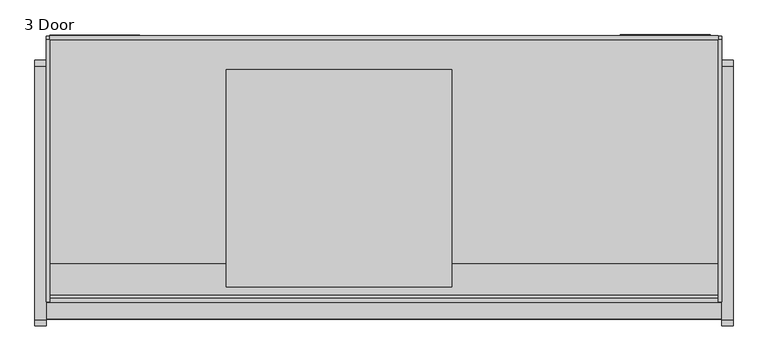
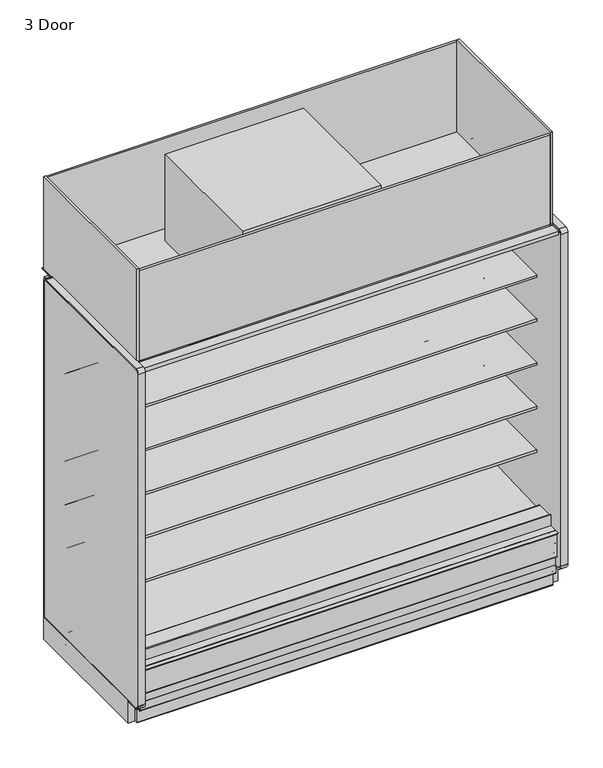
"""IFC4 building model written with IfcOpenShell, lengths in millimetres: proxy geometry, 3 Door."""

from ifc_helpers import new_model, si_unit, point, frame, frame_2d, origin, origin_with_axes, place, context, project, spatial, polyline, circle_curve, trimmed, segment, composite_curve, outline, extrude, source, transform, mapped, element, save


def proxy_3_door_cfcc20d5(model_context):
    return source(origin(), model_context, "Body", "SweptSolid", [
        extrude(outline(polyline([(0.0, -38.6530691), (0.0, 0.0), (1676.4, 0.0), (1676.4, -38.6530691), (0.0, -38.6530691)])), frame((2286.0, -1078.2703087, 1997.4969004), z_axis=(0.0, 0.24192189559968305, 0.9702957262759927), x_axis=(-1.0, 0.0, 0.0)), (0.0, 0.0, 1.0), 7.3408347),
        extrude(outline(polyline([(-1183.4834873, 177.8), (-1183.4834873, 195.2905293), (-1181.4991123, 191.853491), (-1181.4991123, 175.815625), (-1189.8334873, 175.815625), (-1189.8334873, 133.35), (-1191.8146873, 133.35), (-1191.8146873, 177.8), (-1183.4834873, 177.8)])), frame((0.0, 0.0, 0.0), z_axis=(1.0, 0.0, 0.0), x_axis=(0.0, 1.0, 0.0)), (0.0, 0.0, 1.0), 2286.0),
        extrude(outline(composite_curve([segment(polyline([(-1199.1652772, 323.6525395), (-1199.1652772, 322.7889395), (-1205.4517772, 322.7889395)]), True, "CONTINUOUS"), segment(trimmed(circle_curve(frame_2d((-1205.4517772, 322.0015395)), 0.7874), [point((-1205.4517772, 322.7889395))], [point((-1206.2391772, 322.0015395))], True, "CARTESIAN"), True, "CONTINUOUS"), segment(polyline([(-1206.2391772, 322.0015395), (-1206.2391772, 320.4775395), (-1206.2391772, 189.9871554)]), True, "CONTINUOUS"), segment(trimmed(circle_curve(frame_2d((-1205.4517772, 189.9871554)), 0.7874), [point((-1206.2391772, 189.9871554))], [point((-1205.0580772, 189.305247))], True, "CARTESIAN"), True, "CONTINUOUS"), segment(polyline([(-1205.0580772, 189.305247), (-1186.9673399, 199.7499391)]), True, "CONTINUOUS"), segment(trimmed(circle_curve(frame_2d((-1186.1418399, 198.3201311)), 1.651), [point((-1186.9673399, 199.7499391))], [point((-1184.712032, 199.1456311))], False, "CARTESIAN"), True, "CONTINUOUS"), segment(polyline([(-1184.712032, 199.1456311), (-1179.187532, 189.5769164), (-1179.9354315, 189.1451164), (-1185.4599315, 198.7138311)]), True, "CONTINUOUS"), segment(trimmed(circle_curve(frame_2d((-1186.1418399, 198.3201311)), 0.7874), [point((-1185.4599315, 198.7138311))], [point((-1186.5355399, 199.0020395))], True, "CARTESIAN"), True, "CONTINUOUS"), segment(polyline([(-1186.5355399, 199.0020395), (-1204.6262772, 188.5573475)]), True, "CONTINUOUS"), segment(trimmed(circle_curve(frame_2d((-1205.4517772, 189.9871554)), 1.651), [point((-1204.6262772, 188.5573475))], [point((-1207.1027772, 189.9871554))], False, "CARTESIAN"), True, "CONTINUOUS"), segment(polyline([(-1207.1027772, 189.9871554), (-1207.1027772, 191.5746554), (-1207.1027772, 320.4775395), (-1207.1027772, 322.0015395)]), True, "CONTINUOUS"), segment(trimmed(circle_curve(frame_2d((-1205.4517772, 322.0015395)), 1.651), [point((-1207.1027772, 322.0015395))], [point((-1205.4517772, 323.6525395))], False, "CARTESIAN"), True, "CONTINUOUS"), segment(polyline([(-1205.4517772, 323.6525395), (-1199.1652772, 323.6525395)]), True, "CONTINUOUS")], self_intersect=False)), frame((0.0, 0.0, 0.0), z_axis=(1.0, 0.0, 0.0), x_axis=(0.0, 1.0, 0.0)), (0.0, 0.0, 1.0), 2286.0),
        extrude(outline(polyline([(1371.6, -374.4071273), (1371.6, -1111.0071273), (609.6, -1111.0071273), (609.6, -374.4071273), (1371.6, -374.4071273)])), frame((0.0, 0.0, 2107.5790188), z_axis=(0.0, 0.0, 1.0), x_axis=(1.0, 0.0, 0.0)), (0.0, 0.0, 1.0), 502.2709812),
        extrude(outline(polyline([(2286.0, -260.1071273), (2286.0, -1161.8071273), (0.0, -1161.8071273), (0.0, -260.1071273), (2286.0, -260.1071273)])), frame((0.0, 0.0, 2089.15), z_axis=(0.0, 0.0, 1.0), x_axis=(1.0, 0.0, 0.0)), (0.0, 0.0, 1.0), 6.35),
        extrude(outline(composite_curve([segment(polyline([(-1219.271907, 334.0862), (-1192.8205273, 334.0862)]), True, "CONTINUOUS"), segment(trimmed(circle_curve(frame_2d((-1192.8205273, 332.1304)), 1.9558), [point((-1192.8205273, 334.0862))], [point((-1190.8647273, 332.1304))], False, "CARTESIAN"), True, "CONTINUOUS"), segment(polyline([(-1190.8647273, 332.1304), (-1190.8647273, 321.3862), (-1190.8647273, 300.7449388), (-1192.1324192, 300.7449388), (-1192.1324192, 321.3862), (-1192.1324192, 332.1304)]), True, "CONTINUOUS"), segment(trimmed(circle_curve(frame_2d((-1192.9198192, 332.1304)), 0.7874), [point((-1192.1324192, 332.1304))], [point((-1192.9198192, 332.9178))], True, "CARTESIAN"), True, "CONTINUOUS"), segment(polyline([(-1192.9198192, 332.9178), (-1219.271907, 332.9178), (-1219.271907, 334.0862)]), True, "CONTINUOUS")], self_intersect=False)), frame((0.0, 0.0, 0.0), z_axis=(1.0, 0.0, 0.0), x_axis=(0.0, 1.0, 0.0)), (0.0, 0.0, 1.0), 2286.0),
        extrude(outline(composite_curve([segment(polyline([(-1169.6042697, 82.5444735), (-368.9975849, 82.5444735)]), True, "CONTINUOUS"), segment(trimmed(circle_curve(frame_2d((-372.4259273, 84.5312)), 3.9624), [point((-368.9975849, 82.5444735))], [point((-372.4259273, 80.5688))], False, "CARTESIAN"), True, "CONTINUOUS"), segment(polyline([(-372.4259273, 80.5688), (-1166.1759273, 80.5688)]), True, "CONTINUOUS"), segment(trimmed(circle_curve(frame_2d((-1166.1759273, 84.5312)), 3.9624), [point((-1166.1759273, 80.5688))], [point((-1169.6042697, 82.5444735))], False, "CARTESIAN"), True, "CONTINUOUS")], self_intersect=False)), frame((0.0, 0.0, 0.0), z_axis=(1.0, 0.0, 0.0), x_axis=(0.0, 1.0, 0.0)), (0.0, 0.0, 1.0), 2286.0),
        extrude(outline(composite_curve([segment(polyline([(-1001.3146873, 129.3876), (-1024.7334873, 129.3876)]), True, "CONTINUOUS"), segment(trimmed(circle_curve(frame_2d((-1024.7334873, 127.4064)), 1.9812), [point((-1024.7334873, 129.3876))], [point((-1026.7146873, 127.4064))], True, "CARTESIAN"), True, "CONTINUOUS"), segment(polyline([(-1026.7146873, 127.4064), (-1026.7146873, 86.5124)]), True, "CONTINUOUS"), segment(trimmed(circle_curve(frame_2d((-1030.6770873, 86.5124)), 3.9624), [point((-1026.7146873, 86.5124))], [point((-1030.6770873, 82.55))], False, "CARTESIAN"), True, "CONTINUOUS"), segment(polyline([(-1030.6770873, 82.55), (-1187.8522873, 82.55)]), True, "CONTINUOUS"), segment(trimmed(circle_curve(frame_2d((-1187.8522873, 86.5124)), 3.9624), [point((-1187.8522873, 82.55))], [point((-1191.8146873, 86.5124))], False, "CARTESIAN"), True, "CONTINUOUS"), segment(polyline([(-1191.8146873, 86.5124), (-1191.8146873, 133.35), (-1040.3697273, 133.35), (-1040.3697273, 131.3688), (-1189.8334873, 131.3688), (-1189.8334873, 86.5124)]), True, "CONTINUOUS"), segment(trimmed(circle_curve(frame_2d((-1187.8522873, 86.5124)), 1.9812), [point((-1189.8334873, 86.5124))], [point((-1187.8522873, 84.5312))], True, "CARTESIAN"), True, "CONTINUOUS"), segment(polyline([(-1187.8522873, 84.5312), (-1030.6770873, 84.5312)]), True, "CONTINUOUS"), segment(trimmed(circle_curve(frame_2d((-1030.6770873, 86.5124)), 1.9812), [point((-1030.6770873, 84.5312))], [point((-1028.6958873, 86.5124))], True, "CARTESIAN"), True, "CONTINUOUS"), segment(polyline([(-1028.6958873, 86.5124), (-1028.6958873, 129.3876)]), True, "CONTINUOUS"), segment(trimmed(circle_curve(frame_2d((-1024.7334873, 129.3876)), 3.9624), [point((-1028.6958873, 129.3876))], [point((-1024.7334873, 133.35))], False, "CARTESIAN"), True, "CONTINUOUS"), segment(polyline([(-1024.7334873, 133.35), (-1001.3146873, 133.35), (-1001.3146873, 129.3876)]), True, "CONTINUOUS")], self_intersect=False)), frame((0.0, 0.0, 0.0), z_axis=(1.0, 0.0, 0.0), x_axis=(0.0, 1.0, 0.0)), (0.0, 0.0, 1.0), 2286.0),
        extrude(outline(composite_curve([segment(trimmed(circle_curve(frame_2d((-514.1071273, 127.4064)), 1.9812), [point((-512.1259273, 127.4064))], [point((-514.1071273, 129.3876))], True, "CARTESIAN"), True, "CONTINUOUS"), segment(polyline([(-514.1071273, 129.3876), (-537.5259273, 129.3876), (-537.5259273, 133.1722), (-514.1071273, 133.1722)]), True, "CONTINUOUS"), segment(trimmed(circle_curve(frame_2d((-514.1071273, 129.2098)), 3.9624), [point((-514.1071273, 133.1722))], [point((-510.1447273, 129.2098))], False, "CARTESIAN"), True, "CONTINUOUS"), segment(polyline([(-510.1447273, 129.2098), (-510.1447273, 86.5124)]), True, "CONTINUOUS"), segment(trimmed(circle_curve(frame_2d((-508.1635273, 86.5124)), 1.9812), [point((-510.1447273, 86.5124))], [point((-508.1635273, 84.5312))], True, "CARTESIAN"), True, "CONTINUOUS"), segment(polyline([(-508.1635273, 84.5312), (-350.9883273, 84.5312)]), True, "CONTINUOUS"), segment(trimmed(circle_curve(frame_2d((-350.9883273, 86.5124)), 1.9812), [point((-350.9883273, 84.5312))], [point((-349.0071273, 86.5124))], True, "CARTESIAN"), True, "CONTINUOUS"), segment(polyline([(-349.0071273, 86.5124), (-349.0071273, 133.35), (-347.0259273, 133.35), (-347.0259273, 86.5124)]), True, "CONTINUOUS"), segment(trimmed(circle_curve(frame_2d((-350.9883273, 86.5124)), 3.9624), [point((-347.0259273, 86.5124))], [point((-350.9883273, 82.55))], False, "CARTESIAN"), True, "CONTINUOUS"), segment(polyline([(-350.9883273, 82.55), (-508.1635273, 82.55)]), True, "CONTINUOUS"), segment(trimmed(circle_curve(frame_2d((-508.1635273, 86.5124)), 3.9624), [point((-508.1635273, 82.55))], [point((-512.1259273, 86.5124))], False, "CARTESIAN"), True, "CONTINUOUS"), segment(polyline([(-512.1259273, 86.5124), (-512.1259273, 127.4064)]), True, "CONTINUOUS")], self_intersect=False)), frame((0.0, 0.0, 0.0), z_axis=(1.0, 0.0, 0.0), x_axis=(0.0, 1.0, 0.0)), (0.0, 0.0, 1.0), 2286.0),
        extrude(outline(polyline([(2286.0, -372.4259273), (2286.0, -1166.1759273), (0.0, -1166.1759273), (0.0, -372.4259273), (2286.0, -372.4259273)])), frame((0.0, 0.0, 78.5876), z_axis=(0.0, 0.0, 1.0), x_axis=(1.0, 0.0, 0.0)), (0.0, 0.0, 1.0), 1.9812),
        extrude(outline(composite_curve([segment(polyline([(-372.4259273, 3.9624), (-372.4259273, 1.9812), (-372.4259273, 0.0), (-474.0259273, 0.0), (-474.0259273, 1.9812), (-474.0259273, 3.9624), (-474.0259273, 19.05)]), True, "CONTINUOUS"), segment(trimmed(circle_curve(frame_2d((-499.4259273, 19.05)), 25.4), [point((-474.0259273, 19.05))], [point((-499.4259273, 44.45))], True, "CARTESIAN"), True, "CONTINUOUS"), segment(polyline([(-499.4259273, 44.45), (-1039.1759273, 44.45)]), True, "CONTINUOUS"), segment(trimmed(circle_curve(frame_2d((-1039.1759273, 19.05)), 25.4), [point((-1039.1759273, 44.45))], [point((-1064.5759273, 19.05))], True, "CARTESIAN"), True, "CONTINUOUS"), segment(polyline([(-1064.5759273, 19.05), (-1064.5759273, 3.9624), (-1064.5759273, 1.9812), (-1064.5759273, 0.0), (-1166.1759273, 0.0), (-1166.1759273, 1.9812), (-1166.1759273, 3.9624), (-1166.1759273, 78.5876), (-372.4259273, 78.5876), (-372.4259273, 3.9624)]), True, "CONTINUOUS")], self_intersect=False), holes=[composite_curve([segment(trimmed(circle_curve(frame_2d((-1089.9759273, 69.85)), 4.2164), [point((-1092.0841273, 73.5015095))], [point((-1087.8677273, 66.1984905))], True, "CARTESIAN"), True, "CONTINUOUS"), segment(trimmed(circle_curve(frame_2d((-1089.9759273, 69.85)), 4.2164), [point((-1087.8677273, 66.1984905))], [point((-1092.0841273, 73.5015095))], True, "CARTESIAN"), True, "CONTINUOUS")], self_intersect=False), composite_curve([segment(trimmed(circle_curve(frame_2d((-1089.9759273, 12.7)), 4.2164), [point((-1092.0841273, 16.3515095))], [point((-1087.8677273, 9.0484905))], True, "CARTESIAN"), True, "CONTINUOUS"), segment(trimmed(circle_curve(frame_2d((-1089.9759273, 12.7)), 4.2164), [point((-1087.8677273, 9.0484905))], [point((-1092.0841273, 16.3515095))], True, "CARTESIAN"), True, "CONTINUOUS")], self_intersect=False), composite_curve([segment(trimmed(circle_curve(frame_2d((-448.6259273, 69.85)), 4.2164), [point((-450.7341273, 73.5015095))], [point((-446.5177273, 66.1984905))], True, "CARTESIAN"), True, "CONTINUOUS"), segment(trimmed(circle_curve(frame_2d((-448.6259273, 69.85)), 4.2164), [point((-446.5177273, 66.1984905))], [point((-450.7341273, 73.5015095))], True, "CARTESIAN"), True, "CONTINUOUS")], self_intersect=False), composite_curve([segment(trimmed(circle_curve(frame_2d((-448.6259273, 12.7)), 4.2164), [point((-450.7341273, 16.3515095))], [point((-446.5177273, 9.0484905))], True, "CARTESIAN"), True, "CONTINUOUS"), segment(trimmed(circle_curve(frame_2d((-448.6259273, 12.7)), 4.2164), [point((-446.5177273, 9.0484905))], [point((-450.7341273, 16.3515095))], True, "CARTESIAN"), True, "CONTINUOUS")], self_intersect=False)]), frame((0.0, 0.0, 0.0), z_axis=(1.0, 0.0, 0.0), x_axis=(0.0, 1.0, 0.0)), (0.0, 0.0, 1.0), 2286.0),
        extrude(outline(composite_curve([segment(trimmed(circle_curve(frame_2d((2163.8082444, -305.1108756)), 12.7), [point((2151.1082444, -305.1108756))], [point((2176.5082444, -305.1108756))], False, "CARTESIAN"), True, "CONTINUOUS"), segment(trimmed(circle_curve(frame_2d((2163.8082444, -305.1108756)), 12.7), [point((2176.5082444, -305.1108756))], [point((2151.1082444, -305.1108756))], False, "CARTESIAN"), True, "CONTINUOUS")], self_intersect=False)), frame((0.0, 0.0, 1138.0399939), z_axis=(0.0, 0.0, 1.0), x_axis=(1.0, 0.0, 0.0)), (0.0, 0.0, 1.0), 554.8039204),
        extrude(outline(composite_curve([segment(trimmed(circle_curve(frame_2d((2034.38125, -305.1108756)), 9.525), [point((2024.85625, -305.1108756))], [point((2043.90625, -305.1108756))], False, "CARTESIAN"), True, "CONTINUOUS"), segment(trimmed(circle_curve(frame_2d((2034.38125, -305.1108756)), 9.525), [point((2043.90625, -305.1108756))], [point((2024.85625, -305.1108756))], False, "CARTESIAN"), True, "CONTINUOUS")], self_intersect=False)), frame((0.0, 0.0, 1138.0399939), z_axis=(0.0, 0.0, 1.0), x_axis=(1.0, 0.0, 0.0)), (0.0, 0.0, 1.0), 554.8039204),
        extrude(outline(polyline([(2247.10625, -256.4521239), (2247.10625, -349.0071273), (2243.93125, -349.0071273), (2243.93125, -259.6271239), (1945.48125, -259.6271239), (1945.48125, -349.0071273), (1942.30625, -349.0071273), (1942.30625, -256.4521239), (2247.10625, -256.4521239)])), frame((0.0, 0.0, 193.7512), z_axis=(0.0, 0.0, 1.0), x_axis=(1.0, 0.0, 0.0)), (0.0, 0.0, 1.0), 1438.7950439),
        extrude(outline(polyline([(105.5601284, -782.8225818), (397.6601284, -782.8225818), (397.6601284, -1034.2202905), (105.5601284, -1034.2202905), (105.5601284, -782.8225818)])), frame((0.0, 0.0, 95.25), z_axis=(0.0, 0.0, 1.0), x_axis=(1.0, 0.0, 0.0)), (0.0, 0.0, 1.0), 6.35),
        extrude(outline(composite_curve([segment(trimmed(circle_curve(frame_2d((1143.0, -1015.7571273)), 38.1), [point((1104.9, -1015.7571273))], [point((1181.1, -1015.7571273))], False, "CARTESIAN"), True, "CONTINUOUS"), segment(trimmed(circle_curve(frame_2d((1143.0, -1015.7571273)), 38.1), [point((1181.1, -1015.7571273))], [point((1104.9, -1015.7571273))], False, "CARTESIAN"), True, "CONTINUOUS")], self_intersect=False)), origin_with_axes(), (0.0, 0.0, 1.0), 101.6),
        extrude(outline(polyline([(316.70625, -258.0396239), (316.70625, -349.0071273), (11.90625, -349.0071273), (11.90625, -258.0396239), (316.70625, -258.0396239)])), frame((0.0, 0.0, 1782.450878), z_axis=(0.0, 0.0, 1.0), x_axis=(1.0, 0.0, 0.0)), (0.0, 0.0, 1.0), 254.5161408),
        extrude(outline(composite_curve([segment(polyline([(-453.852044, 591.1422184), (-464.9599362, 590.9259013)]), True, "CONTINUOUS"), segment(trimmed(circle_curve(frame_2d((-465.4478819, 615.9819291)), 25.0607786), [point((-464.9599362, 590.9259013))], [point((-481.3552045, 596.6170199))], False, "CARTESIAN"), True, "CONTINUOUS"), segment(polyline([(-481.3552045, 596.6170199), (-519.5769051, 627.7002885)]), True, "CONTINUOUS"), segment(trimmed(circle_curve(frame_2d((-559.6413782, 578.4348036)), 63.5), [point((-519.5769051, 627.7002885))], [point((-552.7883688, 641.5639274))], True, "CARTESIAN"), True, "CONTINUOUS"), segment(polyline([(-552.7883688, 641.5639274), (-892.1960421, 674.1744175), (-892.1960421, 678.4587439), (-1012.6220004, 678.4587439), (-1012.6220004, 691.9524939), (-453.852044, 691.9524939), (-453.852044, 591.1422184)]), True, "CONTINUOUS")], self_intersect=False)), frame((0.0, 0.0, 0.0), z_axis=(1.0, 0.0, 0.0), x_axis=(0.0, 1.0, 0.0)), (0.0, 0.0, 1.0), 2286.0),
        extrude(outline(composite_curve([segment(polyline([(-453.852044, 845.1422184), (-464.9599362, 844.9259013)]), True, "CONTINUOUS"), segment(trimmed(circle_curve(frame_2d((-465.4478819, 869.9819291)), 25.0607786), [point((-464.9599362, 844.9259013))], [point((-481.3552045, 850.6170199))], False, "CARTESIAN"), True, "CONTINUOUS"), segment(polyline([(-481.3552045, 850.6170199), (-519.5769051, 881.7002885)]), True, "CONTINUOUS"), segment(trimmed(circle_curve(frame_2d((-559.6413782, 832.4348036)), 63.5), [point((-519.5769051, 881.7002885))], [point((-552.7883688, 895.5639274))], True, "CARTESIAN"), True, "CONTINUOUS"), segment(polyline([(-552.7883688, 895.5639274), (-892.1960421, 928.1744175), (-892.1960421, 932.4587439), (-1012.6220004, 932.4587439), (-1012.6220004, 945.9524939), (-453.852044, 945.9524939), (-453.852044, 845.1422184)]), True, "CONTINUOUS")], self_intersect=False)), frame((0.0, 0.0, 0.0), z_axis=(1.0, 0.0, 0.0), x_axis=(0.0, 1.0, 0.0)), (0.0, 0.0, 1.0), 2286.0),
        extrude(outline(composite_curve([segment(polyline([(-453.852044, 1099.1422184), (-464.9599362, 1098.9259013)]), True, "CONTINUOUS"), segment(trimmed(circle_curve(frame_2d((-465.4478819, 1123.9819291)), 25.0607786), [point((-464.9599362, 1098.9259013))], [point((-481.3552045, 1104.6170199))], False, "CARTESIAN"), True, "CONTINUOUS"), segment(polyline([(-481.3552045, 1104.6170199), (-519.5769051, 1135.7002885)]), True, "CONTINUOUS"), segment(trimmed(circle_curve(frame_2d((-559.6413782, 1086.4348036)), 63.5), [point((-519.5769051, 1135.7002885))], [point((-552.7883688, 1149.5639274))], True, "CARTESIAN"), True, "CONTINUOUS"), segment(polyline([(-552.7883688, 1149.5639274), (-892.1960421, 1182.1744175), (-892.1960421, 1186.4587439), (-1012.6220004, 1186.4587439), (-1012.6220004, 1199.9524939), (-453.852044, 1199.9524939), (-453.852044, 1099.1422184)]), True, "CONTINUOUS")], self_intersect=False)), frame((0.0, 0.0, 0.0), z_axis=(1.0, 0.0, 0.0), x_axis=(0.0, 1.0, 0.0)), (0.0, 0.0, 1.0), 2286.0),
        extrude(outline(composite_curve([segment(polyline([(-453.852044, 1353.1422184), (-464.9599362, 1352.9259013)]), True, "CONTINUOUS"), segment(trimmed(circle_curve(frame_2d((-465.4478819, 1377.9819291)), 25.0607786), [point((-464.9599362, 1352.9259013))], [point((-481.3552045, 1358.6170199))], False, "CARTESIAN"), True, "CONTINUOUS"), segment(polyline([(-481.3552045, 1358.6170199), (-519.5769051, 1389.7002885)]), True, "CONTINUOUS"), segment(trimmed(circle_curve(frame_2d((-559.6413782, 1340.4348036)), 63.5), [point((-519.5769051, 1389.7002885))], [point((-552.7883688, 1403.5639274))], True, "CARTESIAN"), True, "CONTINUOUS"), segment(polyline([(-552.7883688, 1403.5639274), (-892.1960421, 1436.1744175), (-892.1960421, 1440.4587439), (-1012.6220004, 1440.4587439), (-1012.6220004, 1453.9524939), (-453.852044, 1453.9524939), (-453.852044, 1353.1422184)]), True, "CONTINUOUS")], self_intersect=False)), frame((0.0, 0.0, 0.0), z_axis=(1.0, 0.0, 0.0), x_axis=(0.0, 1.0, 0.0)), (0.0, 0.0, 1.0), 2286.0),
        extrude(outline(polyline([(2286.0, -272.8071273), (2286.0, -1161.8071273), (2273.3, -1161.8071273), (2273.3, -272.8071273), (2286.0, -272.8071273)])), frame((0.0, 0.0, 2089.15), z_axis=(0.0, 0.0, 1.0), x_axis=(1.0, 0.0, 0.0)), (0.0, 0.0, 1.0), 542.5072188),
        extrude(outline(polyline([(12.7, -272.8071273), (12.7, -1161.8071273), (0.0, -1161.8071273), (0.0, -272.8071273), (12.7, -272.8071273)])), frame((0.0, 0.0, 2089.15), z_axis=(0.0, 0.0, 1.0), x_axis=(1.0, 0.0, 0.0)), (0.0, 0.0, 1.0), 542.5072188),
        extrude(outline(polyline([(2273.3, -260.1071273), (2273.3, -272.8071273), (12.7, -272.8071273), (12.7, -260.1071273), (2273.3, -260.1071273)])), frame((0.0, 0.0, 2095.5), z_axis=(0.0, 0.0, 1.0), x_axis=(1.0, 0.0, 0.0)), (0.0, 0.0, 1.0), 524.1938188),
        extrude(outline(composite_curve([segment(polyline([(-1032.1083773, 2088.5290188), (-1161.8071273, 2088.5290188), (-1161.8071273, 2619.6938188), (-1149.113193, 2619.6938188), (-1149.113193, 2126.5147188)]), True, "CONTINUOUS"), segment(trimmed(circle_curve(frame_2d((-1136.413193, 2126.5147188)), 12.7), [point((-1149.113193, 2126.5147188))], [point((-1136.413193, 2113.8147188))], True, "CARTESIAN"), True, "CONTINUOUS"), segment(polyline([(-1136.413193, 2113.8147188), (-1032.1083773, 2113.8147188), (-1032.1083773, 2088.5290188)]), True, "CONTINUOUS")], self_intersect=False)), frame((12.7, 0.0, 0.0), z_axis=(1.0, 0.0, 0.0), x_axis=(0.0, 1.0, 0.0)), (0.0, 0.0, 1.0), 2260.6),
        extrude(outline(polyline([(-1218.7163962, 2067.3454108), (-1218.7163962, 2088.5290188), (-1134.8551873, 2088.5290188), (-1134.8551873, 2037.6083622), (-1147.784197, 2037.6083622), (-1147.784197, 2067.3454108), (-1218.7163962, 2067.3454108)])), frame((0.0, 0.0, 0.0), z_axis=(1.0, 0.0, 0.0), x_axis=(0.0, 1.0, 0.0)), (0.0, 0.0, 1.0), 2286.0),
        extrude(outline(polyline([(-1147.784197, 334.0862), (-1147.784197, 396.6795495), (-1139.5526974, 396.6795495), (-1139.5526974, 302.7473029), (-1137.9651974, 302.7473029), (-1137.9651974, 300.7449388), (-1190.8639311, 300.7449388), (-1190.8657083, 334.0862), (-1147.784197, 334.0862)])), frame((0.0, 0.0, 0.0), z_axis=(1.0, 0.0, 0.0), x_axis=(0.0, 1.0, 0.0)), (0.0, 0.0, 1.0), 2286.0),
        extrude(outline(composite_curve([segment(polyline([(-453.852044, 1607.1422184), (-464.9599362, 1606.9259013)]), True, "CONTINUOUS"), segment(trimmed(circle_curve(frame_2d((-465.4478819, 1631.9819291)), 25.0607786), [point((-464.9599362, 1606.9259013))], [point((-481.3552045, 1612.6170199))], False, "CARTESIAN"), True, "CONTINUOUS"), segment(polyline([(-481.3552045, 1612.6170199), (-519.5769051, 1643.7002885)]), True, "CONTINUOUS"), segment(trimmed(circle_curve(frame_2d((-559.6413782, 1594.4348036)), 63.5), [point((-519.5769051, 1643.7002885))], [point((-552.7883688, 1657.5639274))], True, "CARTESIAN"), True, "CONTINUOUS"), segment(polyline([(-552.7883688, 1657.5639274), (-892.1960421, 1690.1744175), (-892.1960421, 1694.4587439), (-1012.652044, 1694.4587439), (-1012.652044, 1707.9524939), (-453.852044, 1707.9524939), (-453.852044, 1607.1422184)]), True, "CONTINUOUS")], self_intersect=False)), frame((0.0, 0.0, 0.0), z_axis=(1.0, 0.0, 0.0), x_axis=(0.0, 1.0, 0.0)), (0.0, 0.0, 1.0), 2286.0),
        extrude(outline(polyline([(-349.0071273, 133.35), (-1042.7095547, 133.35), (-1192.1324192, 258.7306705), (-1192.1324192, 300.7449388), (-1137.9651974, 300.7449388), (-1137.9651974, 283.9418925), (-1025.3654807, 189.4595117), (-1009.819944, 190.0023738), (-964.4677493, 157.1934642), (-899.9654388, 159.4459345), (-859.8822128, 192.9404113), (-402.3474764, 220.4377575), (-402.3474764, 2037.6083622), (-1134.8551873, 2037.6083622), (-1134.8551873, 2089.15), (-349.0071273, 2089.15), (-349.0071273, 133.35)])), frame((0.0, 0.0, 0.0), z_axis=(1.0, 0.0, 0.0), x_axis=(0.0, 1.0, 0.0)), (0.0, 0.0, 1.0), 2286.0),
        extrude(outline(polyline([(-569.7966273, 2009.5795495), (-1018.9788197, 2009.5795495), (-1038.3156637, 1986.1261212), (-1044.227619, 1987.6001372), (-1043.8968839, 1988.926643), (-1040.765401, 1988.1458766), (-1023.0938016, 2009.5795495), (-1078.2703087, 2009.5795495), (-1078.2703087, 1997.4969004), (-1075.2026184, 1996.7320393), (-1075.5333534, 1995.4055335), (-1081.4453087, 1996.8795495), (-1081.4453087, 2009.5795495), (-1091.0188306, 2009.5795495), (-1091.0188306, 2025.8814352), (-1103.7188306, 2025.8814352), (-1103.7188306, 2036.9670188), (-402.3474764, 2036.9670188), (-402.3474764, 300.7449388), (-453.852044, 300.7449388), (-453.852044, 2009.5795495), (-569.7966273, 2009.5795495)])), frame((0.0, 0.0, 0.0), z_axis=(1.0, 0.0, 0.0), x_axis=(0.0, 1.0, 0.0)), (0.0, 0.0, 1.0), 2286.0),
        extrude(outline(composite_curve([segment(polyline([(-549.102044, 376.9132463), (-549.102044, 389.995836), (-476.8468712, 389.995836), (-476.8468712, 399.2749991), (-453.852044, 399.2749991), (-453.852044, 380.470836), (-453.852044, 300.7449388), (-402.3474764, 300.7449388), (-402.3474764, 220.4377575), (-859.8822128, 192.9404113), (-899.9654388, 159.4459345), (-964.4677493, 157.1934642), (-1009.819944, 190.0023738), (-1025.3654807, 189.4595117), (-1137.9651974, 283.9418925), (-1137.9651974, 312.2723029), (-1139.5526974, 312.2723029), (-1139.5526974, 388.7420495), (-1040.1411273, 388.7420495)]), True, "CONTINUOUS"), segment(trimmed(circle_curve(frame_2d((-1040.1411273, 386.6846495)), 2.0574), [point((-1040.1411273, 388.7420495))], [point((-1038.0837273, 386.6846495))], False, "CARTESIAN"), True, "CONTINUOUS"), segment(polyline([(-1038.0837273, 386.6846495), (-1038.0837273, 358.6497695), (-549.102044, 376.9132463)]), True, "CONTINUOUS")], self_intersect=False)), frame((0.0, 0.0, 0.0), z_axis=(1.0, 0.0, 0.0), x_axis=(0.0, 1.0, 0.0)), (0.0, 0.0, 1.0), 2286.0),
        extrude(outline(composite_curve([segment(polyline([(-349.0071273, 133.35), (-1209.4321273, 133.35)]), True, "CONTINUOUS"), segment(trimmed(circle_curve(frame_2d((-1209.4321273, 158.75)), 25.4), [point((-1209.4321273, 133.35))], [point((-1234.8321273, 158.75))], False, "CARTESIAN"), True, "CONTINUOUS"), segment(polyline([(-1234.8321273, 158.75), (-1234.8321273, 2082.8)]), True, "CONTINUOUS"), segment(trimmed(circle_curve(frame_2d((-1222.1321273, 2082.8)), 12.7), [point((-1234.8321273, 2082.8))], [point((-1222.1321273, 2095.5))], False, "CARTESIAN"), True, "CONTINUOUS"), segment(polyline([(-1222.1321273, 2095.5), (-361.7071273, 2095.5)]), True, "CONTINUOUS"), segment(trimmed(circle_curve(frame_2d((-361.7071273, 2082.8)), 12.7), [point((-361.7071273, 2095.5))], [point((-349.0071273, 2082.8))], False, "CARTESIAN"), True, "CONTINUOUS"), segment(polyline([(-349.0071273, 2082.8), (-349.0071273, 133.35)]), True, "CONTINUOUS")], self_intersect=False)), frame((2286.0, 0.0, 0.0), z_axis=(1.0, 0.0, 0.0), x_axis=(0.0, 1.0, 0.0)), (0.0, 0.0, 1.0), 38.1),
        extrude(outline(composite_curve([segment(polyline([(-349.0071273, 133.35), (-349.0071273, 2082.8)]), True, "CONTINUOUS"), segment(trimmed(circle_curve(frame_2d((-361.7071273, 2082.8)), 12.7), [point((-349.0071273, 2082.8))], [point((-361.7071273, 2095.5))], True, "CARTESIAN"), True, "CONTINUOUS"), segment(polyline([(-361.7071273, 2095.5), (-1222.1321273, 2095.5)]), True, "CONTINUOUS"), segment(trimmed(circle_curve(frame_2d((-1222.1321273, 2082.8)), 12.7), [point((-1222.1321273, 2095.5))], [point((-1234.8321273, 2082.8))], True, "CARTESIAN"), True, "CONTINUOUS"), segment(polyline([(-1234.8321273, 2082.8), (-1234.8321273, 158.75)]), True, "CONTINUOUS"), segment(trimmed(circle_curve(frame_2d((-1209.4321273, 158.75)), 25.4), [point((-1234.8321273, 158.75))], [point((-1209.4321273, 133.35))], True, "CARTESIAN"), True, "CONTINUOUS"), segment(polyline([(-1209.4321273, 133.35), (-1145.9321273, 133.35), (-1145.9321273, 122.8907563), (-1209.4321273, 122.8907563)]), True, "CONTINUOUS"), segment(trimmed(circle_curve(frame_2d((-1209.4321273, 155.9306)), 33.0398438), [point((-1209.4321273, 122.8907563))], [point((-1242.471971, 155.9306))], False, "CARTESIAN"), True, "CONTINUOUS"), segment(polyline([(-1242.471971, 155.9306), (-1242.471971, 2082.8)]), True, "CONTINUOUS"), segment(trimmed(circle_curve(frame_2d((-1222.1321273, 2082.8)), 20.3398437), [point((-1242.471971, 2082.8))], [point((-1222.1321273, 2103.1398438))], False, "CARTESIAN"), True, "CONTINUOUS"), segment(polyline([(-1222.1321273, 2103.1398438), (-361.7071273, 2103.1398438)]), True, "CONTINUOUS"), segment(trimmed(circle_curve(frame_2d((-361.7071273, 2082.8)), 20.3398437), [point((-361.7071273, 2103.1398438))], [point((-341.3672835, 2082.8))], False, "CARTESIAN"), True, "CONTINUOUS"), segment(polyline([(-341.3672835, 2082.8), (-341.3672835, 133.35), (-349.0071273, 133.35)]), True, "CONTINUOUS")], self_intersect=False)), frame((2286.0, 0.0, 0.0), z_axis=(1.0, 0.0, 0.0), x_axis=(0.0, 1.0, 0.0)), (0.0, 0.0, 1.0), 38.1),
        extrude(outline(composite_curve([segment(polyline([(-349.0071273, 129.3876), (-1209.4321273, 129.3876)]), True, "CONTINUOUS"), segment(trimmed(circle_curve(frame_2d((-1209.4321273, 154.7876)), 25.4), [point((-1209.4321273, 129.3876))], [point((-1234.8321273, 154.7876))], False, "CARTESIAN"), True, "CONTINUOUS"), segment(polyline([(-1234.8321273, 154.7876), (-1234.8321273, 2082.8)]), True, "CONTINUOUS"), segment(trimmed(circle_curve(frame_2d((-1222.1321273, 2082.8)), 12.7), [point((-1234.8321273, 2082.8))], [point((-1222.1321273, 2095.5))], False, "CARTESIAN"), True, "CONTINUOUS"), segment(polyline([(-1222.1321273, 2095.5), (-361.7071273, 2095.5)]), True, "CONTINUOUS"), segment(trimmed(circle_curve(frame_2d((-361.7071273, 2082.8)), 12.7), [point((-361.7071273, 2095.5))], [point((-349.0071273, 2082.8))], False, "CARTESIAN"), True, "CONTINUOUS"), segment(polyline([(-349.0071273, 2082.8), (-349.0071273, 129.3876)]), True, "CONTINUOUS")], self_intersect=False)), frame((-38.1, 0.0, 0.0), z_axis=(1.0, 0.0, 0.0), x_axis=(0.0, 1.0, 0.0)), (0.0, 0.0, 1.0), 38.1),
        extrude(outline(composite_curve([segment(polyline([(-349.0071273, 133.35), (-349.0071273, 2082.8)]), True, "CONTINUOUS"), segment(trimmed(circle_curve(frame_2d((-361.7071273, 2082.8)), 12.7), [point((-349.0071273, 2082.8))], [point((-361.7071273, 2095.5))], True, "CARTESIAN"), True, "CONTINUOUS"), segment(polyline([(-361.7071273, 2095.5), (-1222.1321273, 2095.5)]), True, "CONTINUOUS"), segment(trimmed(circle_curve(frame_2d((-1222.1321273, 2082.8)), 12.7), [point((-1222.1321273, 2095.5))], [point((-1234.8321273, 2082.8))], True, "CARTESIAN"), True, "CONTINUOUS"), segment(polyline([(-1234.8321273, 2082.8), (-1234.8321273, 158.75)]), True, "CONTINUOUS"), segment(trimmed(circle_curve(frame_2d((-1209.4321273, 158.75)), 25.4), [point((-1234.8321273, 158.75))], [point((-1209.4321273, 133.35))], True, "CARTESIAN"), True, "CONTINUOUS"), segment(polyline([(-1209.4321273, 133.35), (-1145.9321273, 133.35), (-1145.9321273, 122.8907563), (-1209.4321273, 122.8907563)]), True, "CONTINUOUS"), segment(trimmed(circle_curve(frame_2d((-1209.4321273, 155.9306)), 33.0398438), [point((-1209.4321273, 122.8907563))], [point((-1242.471971, 155.9306))], False, "CARTESIAN"), True, "CONTINUOUS"), segment(polyline([(-1242.471971, 155.9306), (-1242.471971, 2082.8)]), True, "CONTINUOUS"), segment(trimmed(circle_curve(frame_2d((-1222.1321273, 2082.8)), 20.3398437), [point((-1242.471971, 2082.8))], [point((-1222.1321273, 2103.1398438))], False, "CARTESIAN"), True, "CONTINUOUS"), segment(polyline([(-1222.1321273, 2103.1398438), (-361.7071273, 2103.1398438)]), True, "CONTINUOUS"), segment(trimmed(circle_curve(frame_2d((-361.7071273, 2082.8)), 20.3398437), [point((-361.7071273, 2103.1398438))], [point((-341.3672835, 2082.8))], False, "CARTESIAN"), True, "CONTINUOUS"), segment(polyline([(-341.3672835, 2082.8), (-341.3672835, 133.35), (-349.0071273, 133.35)]), True, "CONTINUOUS")], self_intersect=False)), frame((-38.1, 0.0, 0.0), z_axis=(1.0, 0.0, 0.0), x_axis=(0.0, 1.0, 0.0)), (0.0, 0.0, 1.0), 38.1),
        extrude(outline(polyline([(0.0, -341.3672835), (0.0, -1145.9321273), (-38.1, -1145.9321273), (-38.1, -341.3672835), (0.0, -341.3672835)])), origin_with_axes(), (0.0, 0.0, 1.0), 133.35),
        extrude(outline(polyline([(2324.1, -341.3672835), (2324.1, -1145.9321273), (2286.0, -1145.9321273), (2286.0, -341.3672835), (2324.1, -341.3672835)])), origin_with_axes(), (0.0, 0.0, 1.0), 133.35),
    ])


if __name__ == "__main__":
    model = new_model("IFC4")
    model_context = context("Model", 3, world=origin())
    ifc_project = project(units=[si_unit("LENGTHUNIT", "METRE", prefix="MILLI")], contexts=[model_context])
    site = spatial("IfcSite", under=ifc_project)
    building = spatial("IfcBuilding", under=site)
    placement = place(None, origin())
    proxy_3_door_shape = proxy_3_door_cfcc20d5(model_context)
    element("IfcBuildingElementProxy", 1, Name="3 Door", ObjectType="3 Door", at=placement, inside=building, context=model_context, shape_type="MappedRepresentation", body=[
        mapped(proxy_3_door_shape, transform((0.0, 0.0, 0.0), x_axis=(1.0, 0.0, 0.0), y_axis=(0.0, 1.0, 0.0), z_axis=(0.0, 0.0, 1.0))),
    ])
    save(model, "model.ifc")
